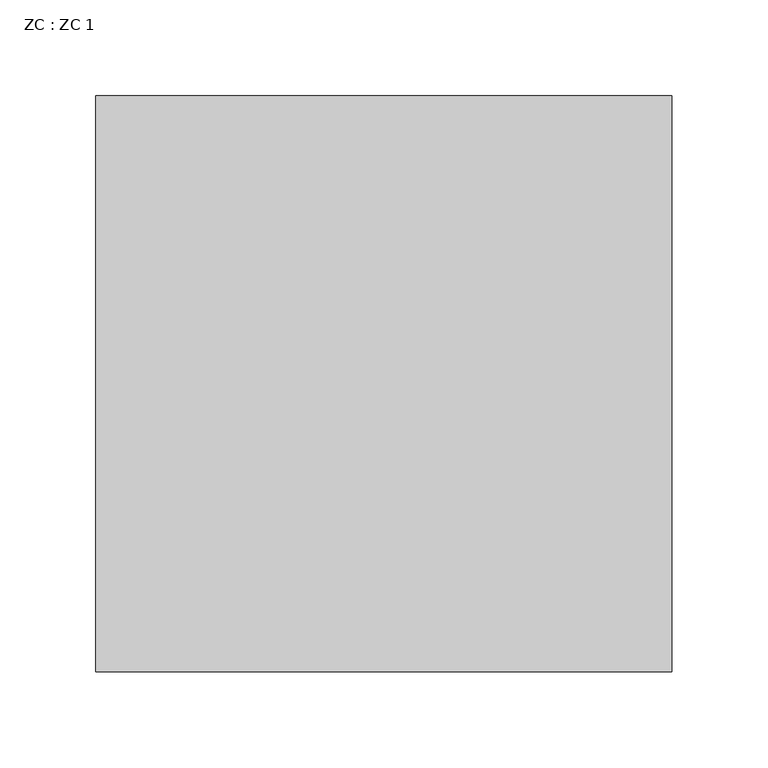
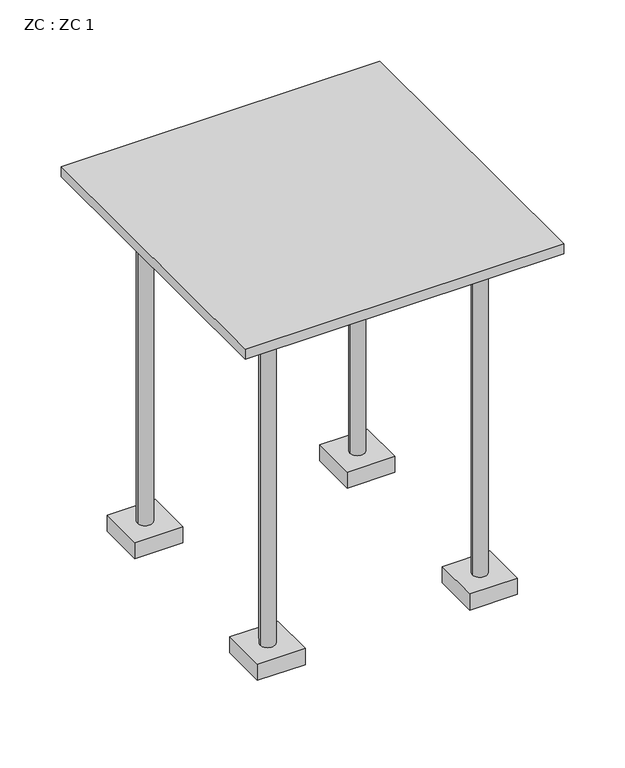
"""IFC4 building model written with IfcOpenShell, lengths in millimetres: fastener geometry, ZC : ZC 1."""

from ifc_helpers import new_model, si_unit, point, frame, frame_2d, origin, place, context, project, spatial, polyline, circle_curve, trimmed, segment, composite_curve, outline, extrude, source, transform, mapped, element, save


def zc_zc_1_5f104532(model_context):
    return source(origin(), model_context, "Body", "SweptSolid", [
        extrude(outline(polyline([(150.0, 150.0), (150.0, -150.0), (-150.0, -150.0), (-150.0, 150.0), (150.0, 150.0)])), frame((0.0, 0.0, -10.0), z_axis=(0.0, 0.0, 1.0), x_axis=(1.0, 0.0, 0.0)), (0.0, 0.0, 1.0), 10.0),
        extrude(outline(composite_curve([segment(trimmed(circle_curve(frame_2d((-100.0, 100.0)), 7.0), [point((-93.0, 100.0))], [point((-107.0, 100.0))], False, "CARTESIAN"), True, "CONTINUOUS"), segment(trimmed(circle_curve(frame_2d((-100.0, 100.0)), 7.0), [point((-107.0, 100.0))], [point((-93.0, 100.0))], False, "CARTESIAN"), True, "CONTINUOUS")], self_intersect=False)), frame((0.0, 0.0, -340.0), z_axis=(0.0, 0.0, 1.0), x_axis=(1.0, 0.0, 0.0)), (0.0, 0.0, 1.0), 330.0),
        extrude(outline(polyline([(-77.5, 122.5), (-77.5, 77.5), (-122.5, 77.5), (-122.5, 122.5), (-77.5, 122.5)])), frame((0.0, 0.0, -356.0), z_axis=(0.0, 0.0, 1.0), x_axis=(1.0, 0.0, 0.0)), (0.0, 0.0, 1.0), 16.0),
        extrude(outline(composite_curve([segment(trimmed(circle_curve(frame_2d((100.0, 100.0)), 7.0), [point((107.0, 100.0))], [point((93.0, 100.0))], False, "CARTESIAN"), True, "CONTINUOUS"), segment(trimmed(circle_curve(frame_2d((100.0, 100.0)), 7.0), [point((93.0, 100.0))], [point((107.0, 100.0))], False, "CARTESIAN"), True, "CONTINUOUS")], self_intersect=False)), frame((0.0, 0.0, -340.0), z_axis=(0.0, 0.0, 1.0), x_axis=(1.0, 0.0, 0.0)), (0.0, 0.0, 1.0), 330.0),
        extrude(outline(polyline([(122.5, 122.5), (122.5, 77.5), (77.5, 77.5), (77.5, 122.5), (122.5, 122.5)])), frame((0.0, 0.0, -356.0), z_axis=(0.0, 0.0, 1.0), x_axis=(1.0, 0.0, 0.0)), (0.0, 0.0, 1.0), 16.0),
        extrude(outline(composite_curve([segment(trimmed(circle_curve(frame_2d((-100.0, -100.0)), 7.0), [point((-93.0, -100.0))], [point((-107.0, -100.0))], False, "CARTESIAN"), True, "CONTINUOUS"), segment(trimmed(circle_curve(frame_2d((-100.0, -100.0)), 7.0), [point((-107.0, -100.0))], [point((-93.0, -100.0))], False, "CARTESIAN"), True, "CONTINUOUS")], self_intersect=False)), frame((0.0, 0.0, -340.0), z_axis=(0.0, 0.0, 1.0), x_axis=(1.0, 0.0, 0.0)), (0.0, 0.0, 1.0), 330.0),
        extrude(outline(polyline([(-77.5, -77.5), (-77.5, -122.5), (-122.5, -122.5), (-122.5, -77.5), (-77.5, -77.5)])), frame((0.0, 0.0, -356.0), z_axis=(0.0, 0.0, 1.0), x_axis=(1.0, 0.0, 0.0)), (0.0, 0.0, 1.0), 16.0),
        extrude(outline(composite_curve([segment(trimmed(circle_curve(frame_2d((100.0, -100.0)), 7.0), [point((107.0, -100.0))], [point((93.0, -100.0))], False, "CARTESIAN"), True, "CONTINUOUS"), segment(trimmed(circle_curve(frame_2d((100.0, -100.0)), 7.0), [point((93.0, -100.0))], [point((107.0, -100.0))], False, "CARTESIAN"), True, "CONTINUOUS")], self_intersect=False)), frame((0.0, 0.0, -340.0), z_axis=(0.0, 0.0, 1.0), x_axis=(1.0, 0.0, 0.0)), (0.0, 0.0, 1.0), 330.0),
        extrude(outline(polyline([(122.5, -77.5), (122.5, -122.5), (77.5, -122.5), (77.5, -77.5), (122.5, -77.5)])), frame((0.0, 0.0, -356.0), z_axis=(0.0, 0.0, 1.0), x_axis=(1.0, 0.0, 0.0)), (0.0, 0.0, 1.0), 16.0),
    ])


if __name__ == "__main__":
    model = new_model("IFC4")
    model_context = context("Model", 3, world=origin())
    ifc_project = project(units=[si_unit("LENGTHUNIT", "METRE", prefix="MILLI")], contexts=[model_context])
    site = spatial("IfcSite", under=ifc_project)
    building = spatial("IfcBuilding", under=site)
    placement = place(None, origin())
    zc_zc_1_shape = zc_zc_1_5f104532(model_context)
    element("IfcFastener", 1, ObjectType="ZC : ZC 1", at=placement, inside=building, context=model_context, shape_type="MappedRepresentation", body=[
        mapped(zc_zc_1_shape, transform((0.0, 0.0, 0.0), x_axis=(1.0, 0.0, 0.0), y_axis=(0.0, 1.0, 0.0), z_axis=(0.0, 0.0, 1.0))),
    ])
    save(model, "model.ifc")
